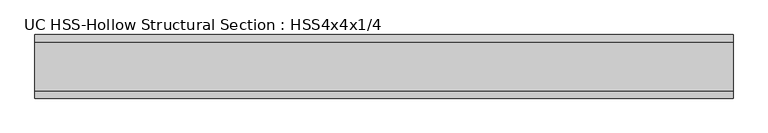
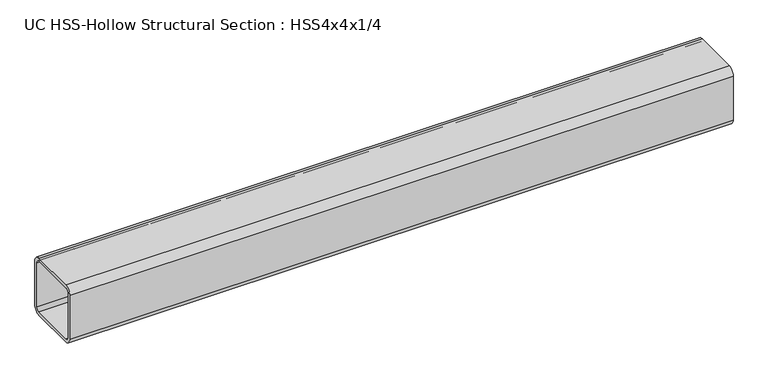
"""IFC4 building model written with IfcOpenShell, lengths in millimetres: beam geometry, UC HSS-Hollow Structural Section : HSS4x4x1/4."""

from ifc_helpers import new_model, si_unit, point, frame, frame_2d, origin, place, context, project, spatial, polyline, circle_curve, trimmed, segment, composite_curve, outline, extrude, source, transform, mapped, element, save


def uc_hss_hollow_structural_section_hss4x4x1_4_41730240(model_context):
    return source(origin(), model_context, "Body", "SweptSolid", [
        extrude(outline(composite_curve([segment(polyline([(50.8, 38.9636), (50.8, -38.9636)]), True, "CONTINUOUS"), segment(trimmed(circle_curve(frame_2d((38.9636, -38.9636)), 11.8364), [point((50.8, -38.9636))], [point((38.9636, -50.8))], False, "CARTESIAN"), True, "CONTINUOUS"), segment(polyline([(38.9636, -50.8), (-38.9636, -50.8)]), True, "CONTINUOUS"), segment(trimmed(circle_curve(frame_2d((-38.9636, -38.9636)), 11.8364), [point((-38.9636, -50.8))], [point((-50.8, -38.9636))], False, "CARTESIAN"), True, "CONTINUOUS"), segment(polyline([(-50.8, -38.9636), (-50.8, 38.9636)]), True, "CONTINUOUS"), segment(trimmed(circle_curve(frame_2d((-38.9636, 38.9636)), 11.8364), [point((-50.8, 38.9636))], [point((-38.9636, 50.8))], False, "CARTESIAN"), True, "CONTINUOUS"), segment(polyline([(-38.9636, 50.8), (38.9636, 50.8)]), True, "CONTINUOUS"), segment(trimmed(circle_curve(frame_2d((38.9636, 38.9636)), 11.8364), [point((38.9636, 50.8))], [point((50.8, 38.9636))], False, "CARTESIAN"), True, "CONTINUOUS")], self_intersect=False), holes=[composite_curve([segment(trimmed(circle_curve(frame_2d((-38.9636, 38.9636)), 5.9182), [point((-38.9636, 44.8818))], [point((-44.8818, 38.9636))], True, "CARTESIAN"), True, "CONTINUOUS"), segment(polyline([(-44.8818, 38.9636), (-44.8818, -38.9636)]), True, "CONTINUOUS"), segment(trimmed(circle_curve(frame_2d((-38.9636, -38.9636)), 5.9182), [point((-44.8818, -38.9636))], [point((-38.9636, -44.8818))], True, "CARTESIAN"), True, "CONTINUOUS"), segment(polyline([(-38.9636, -44.8818), (38.9636, -44.8818)]), True, "CONTINUOUS"), segment(trimmed(circle_curve(frame_2d((38.9636, -38.9636)), 5.9182), [point((38.9636, -44.8818))], [point((44.8818, -38.9636))], True, "CARTESIAN"), True, "CONTINUOUS"), segment(polyline([(44.8818, -38.9636), (44.8818, 38.9636)]), True, "CONTINUOUS"), segment(trimmed(circle_curve(frame_2d((38.9636, 38.9636)), 5.9182), [point((44.8818, 38.9636))], [point((38.9636, 44.8818))], True, "CARTESIAN"), True, "CONTINUOUS"), segment(polyline([(38.9636, 44.8818), (-38.9636, 44.8818)]), True, "CONTINUOUS")], self_intersect=False)]), frame((-533.4, 0.0, 0.0), z_axis=(1.0, 0.0, 0.0), x_axis=(0.0, 1.0, 0.0)), (0.0, 0.0, 1.0), 1114.8675003),
    ])


if __name__ == "__main__":
    model = new_model("IFC4")
    model_context = context("Model", 3, world=origin())
    ifc_project = project(units=[si_unit("LENGTHUNIT", "METRE", prefix="MILLI")], contexts=[model_context])
    site = spatial("IfcSite", under=ifc_project)
    building = spatial("IfcBuilding", under=site)
    placement = place(None, origin())
    uc_hss_hollow_structural_section_hss4x4x1_4_shape = uc_hss_hollow_structural_section_hss4x4x1_4_41730240(model_context)
    element("IfcBeam", 1, ObjectType="UC HSS-Hollow Structural Section : HSS4x4x1/4", at=placement, inside=building, context=model_context, shape_type="MappedRepresentation", body=[
        mapped(uc_hss_hollow_structural_section_hss4x4x1_4_shape, transform((0.0, 0.0, 0.0), x_axis=(1.0, 0.0, 0.0), y_axis=(0.0, 1.0, 0.0), z_axis=(0.0, 0.0, 1.0))),
    ])
    save(model, "model.ifc")
